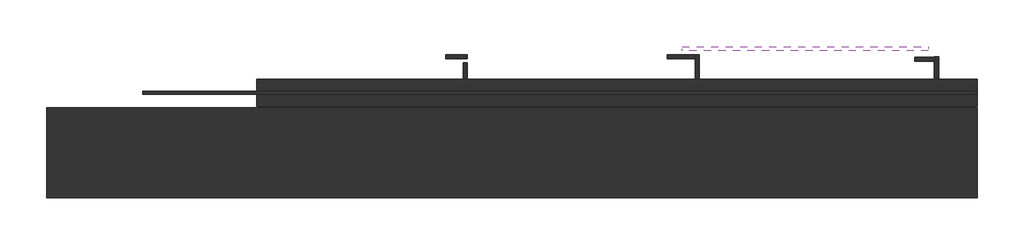
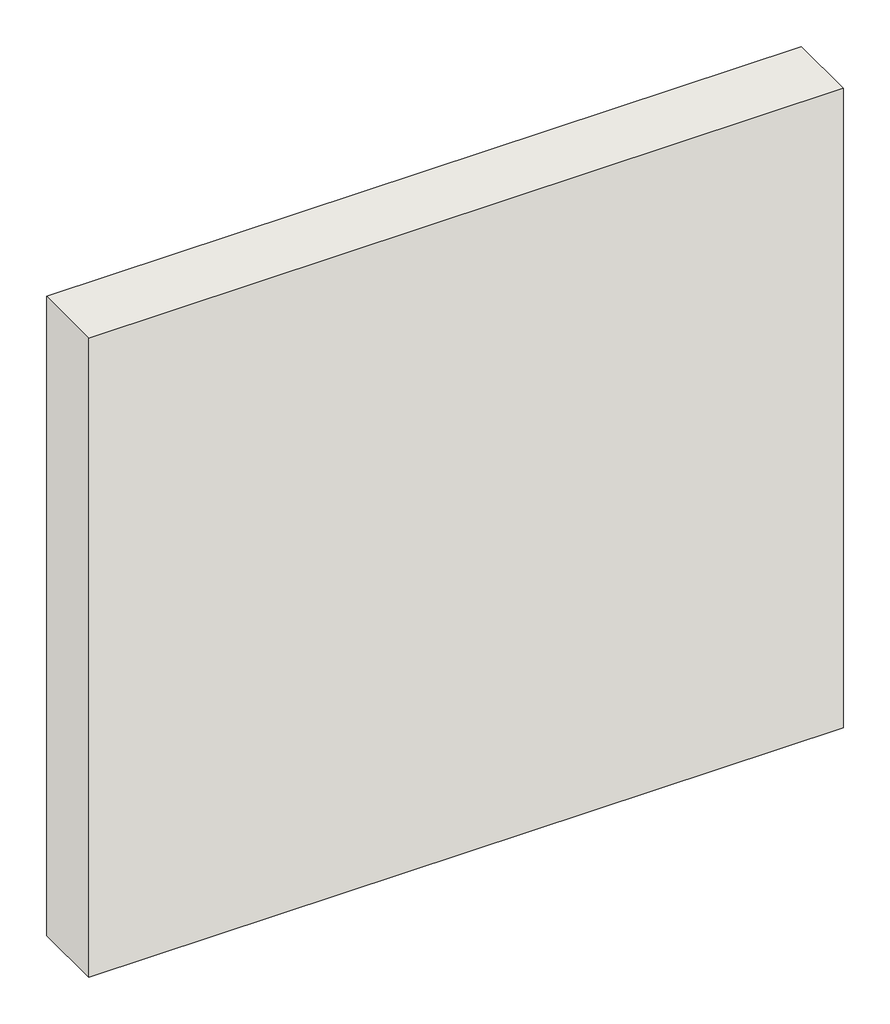
# One storey: 10 walls.
"""IFC4 building model written with IfcOpenShell, lengths in millimetres."""

from ifc_helpers import new_model, si_unit, frame, origin, place, context, project, spatial, polyline, outline, extrude, faceted_brep, element, save

model = new_model("IFC4")

# Units and contexts
model_context = context("Model", 3, world=origin())
ifc_project = project(units=[si_unit("LENGTHUNIT", "METRE", prefix="MILLI")], contexts=[model_context])

# Site, building, storey
site = spatial("IfcSite", under=ifc_project)
building = spatial("IfcBuilding", under=site)
storey = spatial("IfcBuildingStorey", under=building, Elevation=0.0)

# Walls
placement = place(None, origin())
element("IfcWall", 1, at=placement, inside=storey, context=model_context, shape_type="SweptSolid", body=[
    extrude(outline(polyline([(-15105.4714098, -19306.4243034), (-18205.4714098, -19306.4243034), (-18205.4714098, -19006.4243034), (-15105.4714098, -19006.4243034), (-15105.4714098, -19306.4243034)])), frame((0.0, 0.0, 90.5004038), z_axis=(0.0, 0.0, 1.0), x_axis=(1.0, 0.0, 0.0)), (0.0, 0.0, 1.0), 2775.4889891),
])
element("IfcWall", 2, at=placement, inside=storey, context=model_context, shape_type="SweptSolid", body=[
    extrude(outline(polyline([(-15105.4714121, -18961.4243034), (-17885.4714121, -18961.4243034), (-17885.4714121, -18951.4243034), (-15105.4714121, -18951.4243034), (-15105.4714121, -18961.4243034)])), frame((0.0, 0.0, 90.5004038), z_axis=(0.0, 0.0, 1.0), x_axis=(1.0, 0.0, 0.0)), (0.0, 0.0, 1.0), 2496.3790317),
])
element("IfcWall", 3, at=placement, inside=storey, context=model_context, shape_type="Brep", body=[
    faceted_brep([(-17505.4714108, -19001.4243034, 90.5004038), (-15105.4714108, -19001.4243034, 90.5004038), (-15105.4714108, -19001.4243034, 2395.3482071), (-17505.4714108, -19001.4243034, 2395.3482071), (-17505.4714108, -18911.4243034, 90.5004038), (-17505.4714108, -18911.4243034, 2395.3482071), (-15105.4714108, -18911.4243034, 2395.3482071), (-15105.4714108, -18911.4243034, 90.5004038), (-15234.7928422, -18911.4243034, 90.5004038), (-15248.7928422, -18911.4243034, 90.5004038), (-16031.9033912, -18911.4243034, 90.5004038), (-16045.9033912, -18911.4243034, 90.5004038), (-16804.1897419, -18911.4243034, 90.5004038), (-16818.1897419, -18911.4243034, 90.5004038)], [[[0, 1, 2, 3]], [[4, 5, 6, 7, 8, 9, 10, 11, 12, 13]], [[1, 0, 4, 13, 12, 11, 10, 9, 8, 7]], [[2, 1, 7, 6]], [[3, 2, 6, 5]], [[0, 3, 5, 4]]]),
])
element("IfcWall", 4, at=placement, inside=storey, context=model_context, shape_type="SweptSolid", body=[
    extrude(outline(polyline([(-16804.1897419, -18843.1299309), (-16876.0119402, -18843.1299309), (-16876.0119402, -18829.1299309), (-16804.1897419, -18829.1299309), (-16804.1897419, -18843.1299309)])), frame((0.0, 0.0, 90.5004038), z_axis=(0.0, 0.0, 1.0), x_axis=(1.0, 0.0, 0.0)), (0.0, 0.0, 1.0), 2100.0),
])
element("IfcWall", 5, at=placement, inside=storey, context=model_context, shape_type="SweptSolid", body=[
    extrude(outline(polyline([(-16818.1897419, -18911.4243034), (-16818.1897419, -18856.4243034), (-16804.1897419, -18856.4243034), (-16804.1897419, -18911.4243034), (-16818.1897419, -18911.4243034)])), frame((0.0, 0.0, 90.5004038), z_axis=(0.0, 0.0, 1.0), x_axis=(1.0, 0.0, 0.0)), (0.0, 0.0, 1.0), 2100.0),
])
element("IfcWall", 6, at=placement, inside=storey, context=model_context, shape_type="SweptSolid", body=[
    extrude(outline(polyline([(-16045.9033912, -18843.1299309), (-16138.9033912, -18843.1299309), (-16138.9033912, -18829.1299309), (-16045.9033912, -18829.1299309), (-16045.9033912, -18843.1299309)])), frame((0.0, 0.0, 90.5004038), z_axis=(0.0, 0.0, 1.0), x_axis=(1.0, 0.0, 0.0)), (0.0, 0.0, 1.0), 2100.0),
])
element("IfcWall", 7, at=placement, inside=storey, context=model_context, shape_type="Brep", body=[
    faceted_brep([(-16045.9033912, -18829.1299309, 90.5004038), (-16045.9033912, -18843.1299309, 90.5004038), (-16045.9033912, -18911.4243034, 90.5004038), (-16045.9033912, -18911.4243034, 2190.5004038), (-16045.9033912, -18843.1299309, 2190.5004038), (-16045.9033912, -18829.1299309, 2190.5004038), (-16031.9033912, -18829.1299309, 90.5004038), (-16031.9033912, -18829.1299309, 2190.5004038), (-16031.9033912, -18911.4243034, 2190.5004038), (-16031.9033912, -18911.4243034, 90.5004038)], [[[0, 1, 2, 3, 4, 5]], [[6, 7, 8, 9]], [[2, 1, 0, 6, 9]], [[5, 4, 3, 8, 7]], [[3, 2, 9, 8]], [[0, 5, 7, 6]]]),
])
element("IfcWall", 8, at=placement, inside=storey, context=model_context, shape_type="SweptSolid", body=[
    extrude(outline(polyline([(-15248.7928422, -18851.3077326), (-15313.6150405, -18851.3077326), (-15313.6150405, -18837.3077326), (-15248.7928422, -18837.3077326), (-15248.7928422, -18851.3077326)])), frame((0.0, 0.0, 90.5004038), z_axis=(0.0, 0.0, 1.0), x_axis=(1.0, 0.0, 0.0)), (0.0, 0.0, 1.0), 2100.0),
])
element("IfcWall", 9, at=placement, inside=storey, context=model_context, shape_type="Brep", body=[
    faceted_brep([(-15248.7928422, -18836.1299309, 90.5004038), (-15248.7928422, -18837.3077326, 90.5004038), (-15248.7928422, -18851.3077326, 90.5004038), (-15248.7928422, -18911.4243034, 90.5004038), (-15248.7928422, -18911.4243034, 2190.5004038), (-15248.7928422, -18851.3077326, 2190.5004038), (-15248.7928422, -18837.3077326, 2190.5004038), (-15248.7928422, -18836.1299309, 2190.5004038), (-15234.7928422, -18836.1299309, 90.5004038), (-15234.7928422, -18836.1299309, 2190.5004038), (-15234.7928422, -18911.4243034, 2190.5004038), (-15234.7928422, -18911.4243034, 90.5004038)], [[[0, 1, 2, 3, 4, 5, 6, 7]], [[8, 9, 10, 11]], [[3, 2, 1, 0, 8, 11]], [[7, 6, 5, 4, 10, 9]], [[0, 7, 9, 8]], [[4, 3, 11, 10]]]),
])
element("IfcWall", 10, at=placement, inside=storey, context=model_context, shape_type="SweptSolid", body=[
    extrude(outline(polyline([(-15268.7928422, -18816.3077326), (-16088.7928422, -18816.3077326), (-16088.7928422, -18802.3077326), (-15268.7928422, -18802.3077326), (-15268.7928422, -18816.3077326)])), frame((0.0, 0.0, 1770.5004038), z_axis=(0.0, 0.0, 1.0), x_axis=(1.0, 0.0, 0.0)), (0.0, 0.0, 1.0), 169.4995962),
])

save(model, "model.ifc")
